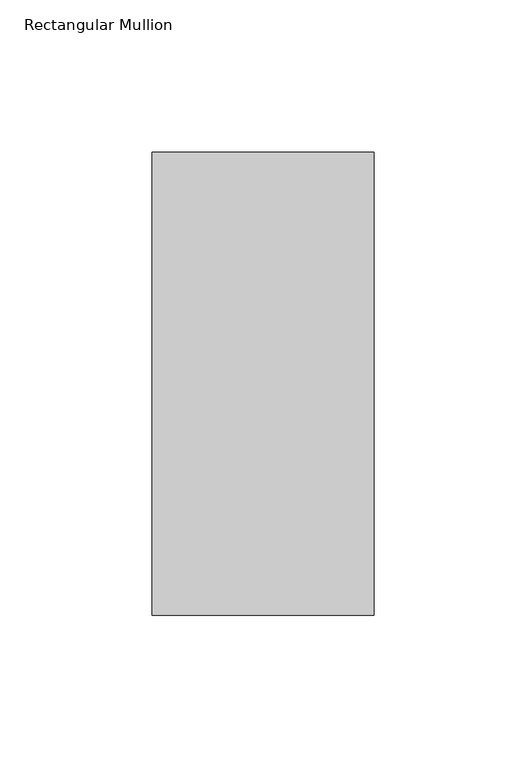
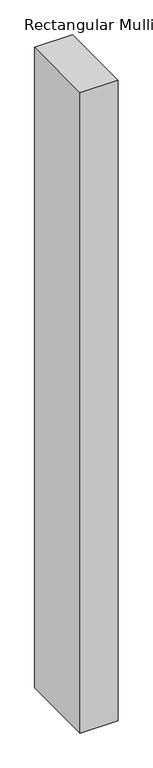
"""IFC4 building model written with IfcOpenShell, lengths in millimetres: member geometry, Rectangular Mullion."""

from ifc_helpers import new_model, si_unit, frame, origin, place, context, project, spatial, polyline, outline, extrude, source, transform, mapped, element, save


def rectangular_mullion_cbe16d60(model_context):
    return source(origin(), model_context, "Body", "SweptSolid", [
        extrude(outline(polyline([(0.0, -26.19375), (-73.0248478, -26.19375), (-73.0248478, 126.20625), (0.0, 126.20625), (0.0, -26.19375)])), frame((0.0, 0.0, -1308.1), z_axis=(0.0, 0.0, 1.0), x_axis=(1.0, 0.0, 0.0)), (0.0, 0.0, 1.0), 1308.1),
    ])


if __name__ == "__main__":
    model = new_model("IFC4")
    model_context = context("Model", 3, world=origin())
    ifc_project = project(units=[si_unit("LENGTHUNIT", "METRE", prefix="MILLI")], contexts=[model_context])
    site = spatial("IfcSite", under=ifc_project)
    building = spatial("IfcBuilding", under=site)
    placement = place(None, origin())
    rectangular_mullion_shape = rectangular_mullion_cbe16d60(model_context)
    element("IfcMember", 1, ObjectType="Rectangular Mullion", at=placement, inside=building, context=model_context, shape_type="MappedRepresentation", body=[
        mapped(rectangular_mullion_shape, transform((0.0, 0.0, 0.0), x_axis=(1.0, 0.0, 0.0), y_axis=(0.0, 1.0, 0.0), z_axis=(0.0, 0.0, 1.0))),
    ])
    save(model, "model.ifc")
